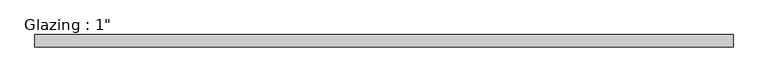
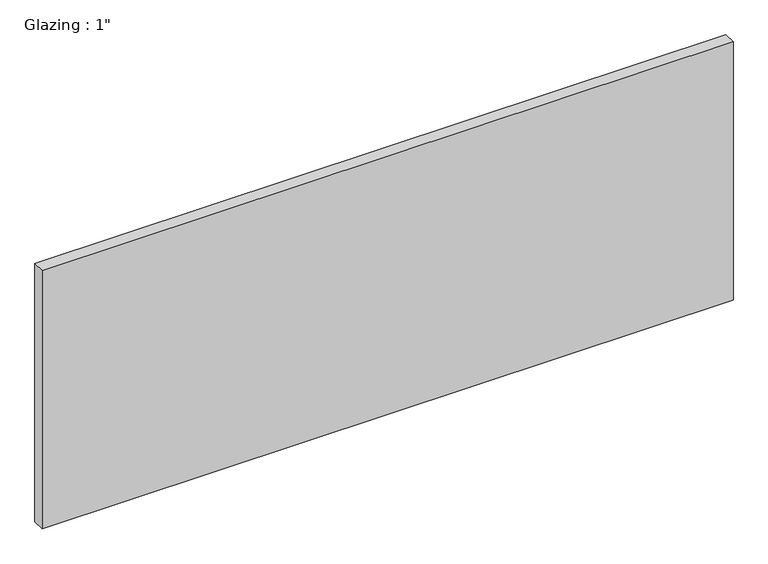
"""IFC4 building model written with IfcOpenShell, lengths in millimetres: plate geometry."""

from ifc_helpers import new_model, si_unit, origin, origin_with_axes, place, context, project, spatial, polyline, outline, extrude, source, transform, mapped, element, save


def plate_0c264290(model_context):
    return source(origin(), model_context, "Body", "SweptSolid", [
        extrude(outline(polyline([(712.2527053, 12.7), (712.2527053, -12.7), (-712.2527053, -12.7), (-712.2527053, 12.7), (712.2527053, 12.7)])), origin_with_axes(), (0.0, 0.0, 1.0), 563.17901),
    ])


if __name__ == "__main__":
    model = new_model("IFC4")
    model_context = context("Model", 3, world=origin())
    ifc_project = project(units=[si_unit("LENGTHUNIT", "METRE", prefix="MILLI")], contexts=[model_context])
    site = spatial("IfcSite", under=ifc_project)
    building = spatial("IfcBuilding", under=site)
    placement = place(None, origin())
    plate_shape = plate_0c264290(model_context)
    element("IfcPlate", 1, ObjectType="Glazing : 1\"", at=placement, inside=building, context=model_context, shape_type="MappedRepresentation", body=[
        mapped(plate_shape, transform((0.0, 0.0, 0.0), x_axis=(1.0, 0.0, 0.0), y_axis=(0.0, 1.0, 0.0), z_axis=(0.0, 0.0, 1.0))),
    ])
    save(model, "model.ifc")
